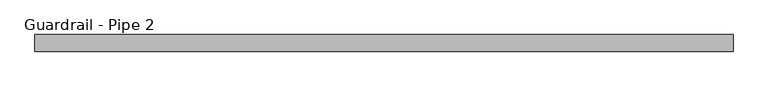
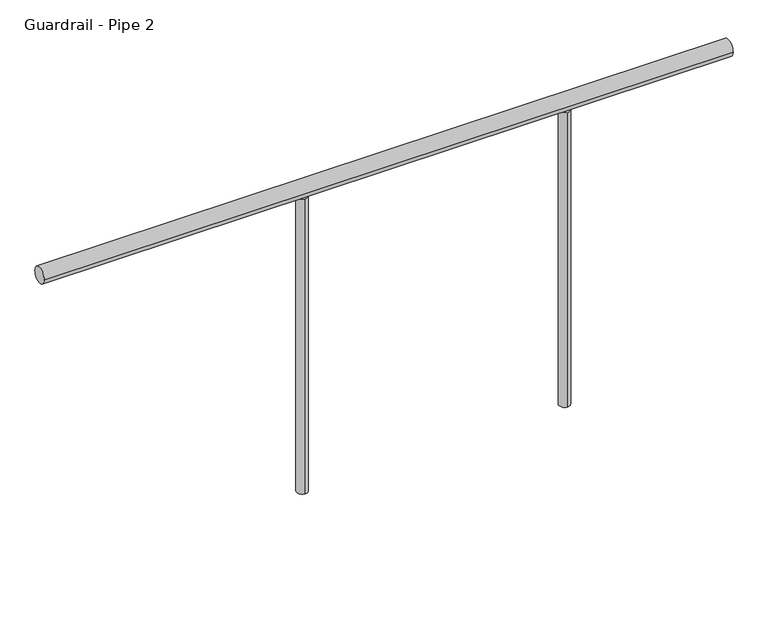
"""IFC4 building model written with IfcOpenShell, lengths in millimetres: railing geometry, Guardrail - Pipe 2."""

from ifc_helpers import new_model, si_unit, point, frame, frame_2d, origin, place, context, project, spatial, circle_curve, trimmed, segment, composite_curve, outline, extrude, source, transform, mapped, element, save


def guardrail_pipe_2_d3e95303(model_context):
    return source(origin(), model_context, "Body", "SweptSolid", [
        extrude(outline(composite_curve([segment(trimmed(circle_curve(frame_2d((-254559.6080223, 5518.15)), 19.05), [point((-254540.5580223, 5518.15))], [point((-254578.6580223, 5518.15))], False, "CARTESIAN"), True, "CONTINUOUS"), segment(trimmed(circle_curve(frame_2d((-254559.6080223, 5518.15)), 19.05), [point((-254578.6580223, 5518.15))], [point((-254540.5580223, 5518.15))], False, "CARTESIAN"), True, "CONTINUOUS")], self_intersect=False)), frame((302271.7457983, 0.0, 0.0), z_axis=(1.0, 0.0, 0.0), x_axis=(0.0, 1.0, 0.0)), (0.0, 0.0, 1.0), 1600.2),
        extrude(outline(composite_curve([segment(trimmed(circle_curve(frame_2d((303490.9457983, -254559.6080223)), 12.7), [point((303490.9457983, -254546.9080223))], [point((303490.9457983, -254572.3080223))], False, "CARTESIAN"), True, "CONTINUOUS"), segment(trimmed(circle_curve(frame_2d((303490.9457983, -254559.6080223)), 12.7), [point((303490.9457983, -254572.3080223))], [point((303490.9457983, -254546.9080223))], False, "CARTESIAN"), True, "CONTINUOUS")], self_intersect=False)), frame((0.0, 0.0, 4775.2), z_axis=(0.0, 0.0, 1.0), x_axis=(1.0, 0.0, 0.0)), (0.0, 0.0, 1.0), 723.9),
        extrude(outline(composite_curve([segment(trimmed(circle_curve(frame_2d((302881.3457983, -254559.6080223)), 12.7), [point((302881.3457983, -254546.9080223))], [point((302881.3457983, -254572.3080223))], False, "CARTESIAN"), True, "CONTINUOUS"), segment(trimmed(circle_curve(frame_2d((302881.3457983, -254559.6080223)), 12.7), [point((302881.3457983, -254572.3080223))], [point((302881.3457983, -254546.9080223))], False, "CARTESIAN"), True, "CONTINUOUS")], self_intersect=False)), frame((0.0, 0.0, 4775.2), z_axis=(0.0, 0.0, 1.0), x_axis=(1.0, 0.0, 0.0)), (0.0, 0.0, 1.0), 723.9),
    ])


if __name__ == "__main__":
    model = new_model("IFC4")
    model_context = context("Model", 3, world=origin())
    ifc_project = project(units=[si_unit("LENGTHUNIT", "METRE", prefix="MILLI")], contexts=[model_context])
    site = spatial("IfcSite", under=ifc_project)
    building = spatial("IfcBuilding", under=site)
    placement = place(None, origin())
    guardrail_pipe_2_shape = guardrail_pipe_2_d3e95303(model_context)
    element("IfcRailing", 1, ObjectType="Guardrail - Pipe 2", at=placement, inside=building, context=model_context, shape_type="MappedRepresentation", body=[
        mapped(guardrail_pipe_2_shape, transform((0.0, 0.0, 0.0), x_axis=(1.0, 0.0, 0.0), y_axis=(0.0, 1.0, 0.0), z_axis=(0.0, 0.0, 1.0))),
    ])
    save(model, "model.ifc")
